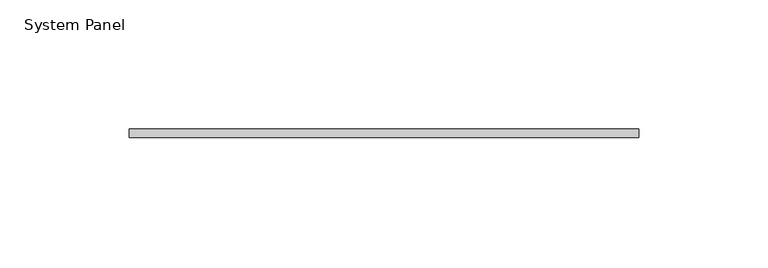
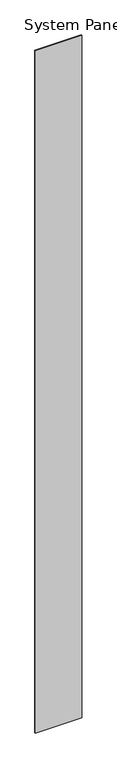
"""IFC4 building model written with IfcOpenShell, lengths in millimetres: plate geometry, System Panel."""

import ifcopenshell
import ifcopenshell.guid

model = None  # the IFC model being written
_history = None  # IfcOwnerHistory: only IFC2X3 demands one
_inside = {}  # id of a spatial element -> (the spatial element, [elements in it])
_under = {}  # id of a project, library or spatial element -> (it, [spatial elements below it])
_declared = {}  # id of a project -> (the project, [libraries it declares])
_typed = {}  # id of a type object -> (the type object, [elements of that type])
_made_of = {}  # id of a material, layer set ... -> (it, [elements and type objects made of it])


def new_model(schema):
    """Start an empty IFC model of exactly this schema.

    Asked for "IFC4X3", IfcOpenShell would pick the latest addendum, in which some entities
    have other attributes; the version numbers below select the first issue.
    IFC2X3 requires an IfcOwnerHistory on every rooted entity: one is made here for all.
    """
    global model, _history
    if schema == "IFC4X3":
        model = ifcopenshell.file(schema_version=(4, 3, 0, 0))
    else:
        model = ifcopenshell.file(schema=schema)
    _inside.clear()
    _under.clear()
    _declared.clear()
    _typed.clear()
    _made_of.clear()
    _history = None
    if model.schema == "IFC2X3":
        org = make("IfcOrganization", Name="unknown")
        user = make(
            "IfcPersonAndOrganization",
            ThePerson=make("IfcPerson", FamilyName="unknown"),
            TheOrganization=org,
        )
        app = make(
            "IfcApplication",
            ApplicationDeveloper=org,
            Version="unknown",
            ApplicationFullName="unknown",
            ApplicationIdentifier="unknown",
        )
        _history = make(
            "IfcOwnerHistory",
            OwningUser=user,
            OwningApplication=app,
            ChangeAction="ADDED",
            CreationDate=0,
        )
    return model


def make(cls, **values):
    """One entity of the class cls with the attributes given. An attribute that is None is left unset."""
    return model.create_entity(
        cls, **{name: value for name, value in values.items() if value is not None}
    )


def rooted(cls, **values):
    """An entity with a GlobalId (a new one), such as an element, a storey or a relation."""
    return make(cls, GlobalId=ifcopenshell.guid.new(), OwnerHistory=_history, **values)


def si_unit(unit_type, name, prefix=None):
    """IfcSIUnit, for example si_unit("LENGTHUNIT", "METRE", prefix="MILLI")."""
    return make("IfcSIUnit", UnitType=unit_type, Prefix=prefix, Name=name)


def assignment(units):
    """IfcUnitAssignment: the units of a project."""
    return None if units is None else make("IfcUnitAssignment", Units=units)


def point(xyz):
    """IfcCartesianPoint."""
    return None if xyz is None else make("IfcCartesianPoint", Coordinates=xyz)


def direction(xyz):
    """IfcDirection."""
    return None if xyz is None else make("IfcDirection", DirectionRatios=xyz)


def frame(location, z_axis=None, x_axis=None):
    """IfcAxis2Placement3D, a coordinate frame: its origin and axes. An axis left out is left unset."""
    return make(
        "IfcAxis2Placement3D",
        Location=point(location),
        Axis=direction(z_axis),
        RefDirection=direction(x_axis),
    )


def origin():
    """The frame at (0, 0, 0) with its axes left unset."""
    return frame((0.0, 0.0, 0.0))


def origin_with_axes():
    """The frame at (0, 0, 0) with the z axis (0, 0, 1) and the x axis (1, 0, 0) written out."""
    return frame((0.0, 0.0, 0.0), z_axis=(0.0, 0.0, 1.0), x_axis=(1.0, 0.0, 0.0))


def place(relative_to, where):
    """IfcLocalPlacement: puts the frame where relative to a parent placement (None: the world)."""
    return make(
        "IfcLocalPlacement", PlacementRelTo=relative_to, RelativePlacement=where
    )


def context(
    kind, dimensions, precision=None, world=None, true_north=None, identifier=None
):
    """IfcGeometricRepresentationContext, for example the 3D "Model" context."""
    return make(
        "IfcGeometricRepresentationContext",
        ContextIdentifier=identifier,
        ContextType=kind,
        CoordinateSpaceDimension=dimensions,
        Precision=precision,
        WorldCoordinateSystem=world,
        TrueNorth=true_north,
    )


def project(units=None, contexts=None):
    """IfcProject with its units and contexts."""
    return rooted(
        "IfcProject",
        Name="project",
        RepresentationContexts=contexts,
        UnitsInContext=assignment(units),
    )


def spatial(cls, under=None, at=None, **own):
    """A site, building, storey or space (cls), placed at a placement, below another one or the project."""
    s = rooted(cls, ObjectPlacement=at, **own)
    if under is not None:
        _under.setdefault(under.id(), (under, []))[1].append(s)
    return s


def polyline(points):
    """IfcPolyline through the points."""
    return make("IfcPolyline", Points=[point(p) for p in points])


def outline(outer, holes=None, kind="AREA"):
    """IfcArbitraryClosedProfileDef: a profile drawn as a closed curve; with holes, ...WithVoids."""
    if holes is None:
        return make("IfcArbitraryClosedProfileDef", ProfileType=kind, OuterCurve=outer)
    return make(
        "IfcArbitraryProfileDefWithVoids",
        ProfileType=kind,
        OuterCurve=outer,
        InnerCurves=holes,
    )


def extrude(swept, where, along, depth):
    """IfcExtrudedAreaSolid: the profile swept, set in the frame where, extruded along a direction by depth."""
    return make(
        "IfcExtrudedAreaSolid",
        SweptArea=swept,
        Position=where,
        ExtrudedDirection=direction(along),
        Depth=depth,
    )


def shape(context_of_items, identifier, shape_type, items):
    """IfcShapeRepresentation: the items that make up one representation, for example the "Body"."""
    return make(
        "IfcShapeRepresentation",
        ContextOfItems=context_of_items,
        RepresentationIdentifier=identifier,
        RepresentationType=shape_type,
        Items=items,
    )


def source(mapping_origin, context_of_items, identifier, shape_type, items):
    """IfcRepresentationMap: a shape defined once, which mapped items show again and again."""
    return make(
        "IfcRepresentationMap",
        MappingOrigin=mapping_origin,
        MappedRepresentation=shape(context_of_items, identifier, shape_type, items),
    )


def transform(
    local_origin,
    x_axis=None,
    y_axis=None,
    z_axis=None,
    scale=None,
    scale2=None,
    scale3=None,
    uniform=True,
):
    """IfcCartesianTransformationOperator3D, or its non-uniform kind. x_axis, y_axis, z_axis: its Axis1, 2, 3."""
    if uniform:
        return make(
            "IfcCartesianTransformationOperator3D",
            Axis1=direction(x_axis),
            Axis2=direction(y_axis),
            LocalOrigin=point(local_origin),
            Scale=scale,
            Axis3=direction(z_axis),
        )
    return make(
        "IfcCartesianTransformationOperator3DnonUniform",
        Axis1=direction(x_axis),
        Axis2=direction(y_axis),
        LocalOrigin=point(local_origin),
        Scale=scale,
        Axis3=direction(z_axis),
        Scale2=scale2,
        Scale3=scale3,
    )


def mapped(mapping_source, mapping_target):
    """IfcMappedItem: shows the shape of a source again, moved by a transform."""
    return make(
        "IfcMappedItem", MappingSource=mapping_source, MappingTarget=mapping_target
    )


def made_of(thing, what):
    """Note that an element or type object is made of a material, layer set ...; save() writes the relation."""
    if what is not None:
        _made_of.setdefault(what.id(), (what, []))[1].append(thing)
    return thing


def element(
    cls,
    number,
    at=None,
    inside=None,
    cuts=None,
    type_object=None,
    material=None,
    context=None,
    identifier="Body",
    shape_type=None,
    held_by="IfcProductDefinitionShape",
    body=None,
    shapes=None,
    **own,
):
    """One element of the class cls, such as IfcWall. Its Tag is "e" and its number.

    at: its placement. inside: the storey or other place that contains it. cuts: it is an
    opening in that element (IfcRelVoidsElement). A single representation is given by context,
    identifier, shape_type and body (its items); several are given by shapes. held_by: the class
    of the entity that holds the representations. save() writes the other relations.
    """
    e = rooted(cls, Tag="e%d" % number, ObjectPlacement=at, **own)
    if body is not None:
        shapes = [shape(context, identifier, shape_type, body)]
    if shapes is not None:
        e.Representation = make(held_by, Representations=shapes)
    if inside is not None:
        _inside.setdefault(inside.id(), (inside, []))[1].append(e)
    if cuts is not None:
        rooted(
            "IfcRelVoidsElement", RelatingBuildingElement=cuts, RelatedOpeningElement=e
        )
    if type_object is not None:
        _typed.setdefault(type_object.id(), (type_object, []))[1].append(e)
    return made_of(e, material)


def aggregate(whole, parts):
    """IfcRelAggregates: a whole, such as a stair, and the parts it consists of."""
    return rooted("IfcRelAggregates", RelatingObject=whole, RelatedObjects=parts)


def save(model, path):
    """Write the relations noted so far, then the file.

    IfcRelAggregates (storeys below a building ...), IfcRelContainedInSpatialStructure (elements
    in a storey), IfcRelDefinesByType, IfcRelAssociatesMaterial and IfcRelDeclares: one each for
    every whole, place, type object, material and project.
    """
    for whole, parts in _under.values():
        aggregate(whole, parts)
    for where, things in _inside.values():
        rooted(
            "IfcRelContainedInSpatialStructure",
            RelatedElements=things,
            RelatingStructure=where,
        )
    for kind, things in _typed.values():
        rooted("IfcRelDefinesByType", RelatedObjects=things, RelatingType=kind)
    for what, things in _made_of.values():
        rooted("IfcRelAssociatesMaterial", RelatedObjects=things, RelatingMaterial=what)
    for by, libraries in _declared.values():
        rooted("IfcRelDeclares", RelatingContext=by, RelatedDefinitions=libraries)
    model.write(path)


def system_panel_3d1e8c27(model_context):
    return source(origin(), model_context, "Body", "SweptSolid", [
        extrude(outline(polyline([(98.425, 5.55625), (-98.425, 5.55625), (-98.425, 8.73125), (98.425, 8.73125), (98.425, 5.55625)])), origin_with_axes(), (0.0, 0.0, 1.0), 3048.0),
    ])


if __name__ == "__main__":
    model = new_model("IFC4")
    model_context = context("Model", 3, world=origin())
    ifc_project = project(units=[si_unit("LENGTHUNIT", "METRE", prefix="MILLI")], contexts=[model_context])
    site = spatial("IfcSite", under=ifc_project)
    building = spatial("IfcBuilding", under=site)
    placement = place(None, origin())
    system_panel_shape = system_panel_3d1e8c27(model_context)
    element("IfcPlate", 1, ObjectType="System Panel", at=placement, inside=building, context=model_context, shape_type="MappedRepresentation", body=[
        mapped(system_panel_shape, transform((0.0, 0.0, 0.0), x_axis=(1.0, 0.0, 0.0), y_axis=(0.0, 1.0, 0.0), z_axis=(0.0, 0.0, 1.0))),
    ])
    save(model, "model.ifc")
